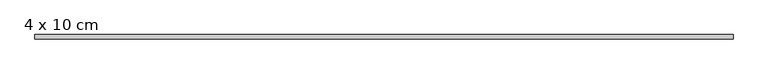
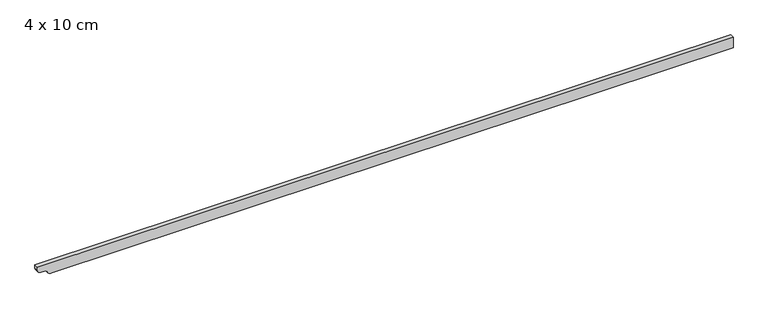
"""IFC4 building model written with IfcOpenShell, lengths in millimetres: beam geometry, 4 x 10 cm."""

from ifc_helpers import new_model, si_unit, point, frame, frame_2d, origin, place, context, project, spatial, polyline, circle_curve, trimmed, segment, composite_curve, outline, extrude, source, transform, mapped, element, save


def beam_4_x_10_cm_34695eea(model_context):
    return source(origin(), model_context, "Body", "SweptSolid", [
        extrude(outline(composite_curve([segment(polyline([(50.0, 3234.6481104), (50.0, -3274.3763564), (22.5, -3274.3763564)]), True, "CONTINUOUS"), segment(trimmed(circle_curve(frame_2d((22.5, -3241.8763564)), 32.5), [point((22.5, -3274.3763564))], [point((-10.0, -3241.8763564))], False, "CARTESIAN"), True, "CONTINUOUS"), segment(polyline([(-10.0, -3241.8763564), (-10.0, -3210.8661512)]), True, "CONTINUOUS"), segment(trimmed(circle_curve(frame_2d((-40.0, -3210.8661512)), 30.0), [point((-10.0, -3210.8661512))], [point((-34.0, -3181.4722743))], True, "CARTESIAN"), True, "CONTINUOUS"), segment(trimmed(circle_curve(frame_2d((-3.1535049, -3142.1213692)), 50.0), [point((-34.0, -3181.4722743))], [point((-53.1535049, -3142.1213692))], False, "CARTESIAN"), True, "CONTINUOUS"), segment(polyline([(-53.1535049, -3142.1213692), (-53.1535049, 3234.6481104), (50.0, 3234.6481104)]), True, "CONTINUOUS")], self_intersect=False)), frame((0.0, -20.0, 0.0), z_axis=(0.0, 1.0, 0.0), x_axis=(0.0, 0.0, 1.0)), (0.0, 0.0, 1.0), 40.0),
    ])


if __name__ == "__main__":
    model = new_model("IFC4")
    model_context = context("Model", 3, world=origin())
    ifc_project = project(units=[si_unit("LENGTHUNIT", "METRE", prefix="MILLI")], contexts=[model_context])
    site = spatial("IfcSite", under=ifc_project)
    building = spatial("IfcBuilding", under=site)
    placement = place(None, origin())
    beam_4_x_10_cm_shape = beam_4_x_10_cm_34695eea(model_context)
    element("IfcBeam", 1, ObjectType="4 x 10 cm", at=placement, inside=building, context=model_context, shape_type="MappedRepresentation", body=[
        mapped(beam_4_x_10_cm_shape, transform((0.0, 0.0, 0.0), x_axis=(1.0, 0.0, 0.0), y_axis=(0.0, 1.0, 0.0), z_axis=(0.0, 0.0, 1.0))),
    ])
    save(model, "model.ifc")
